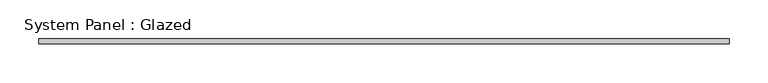
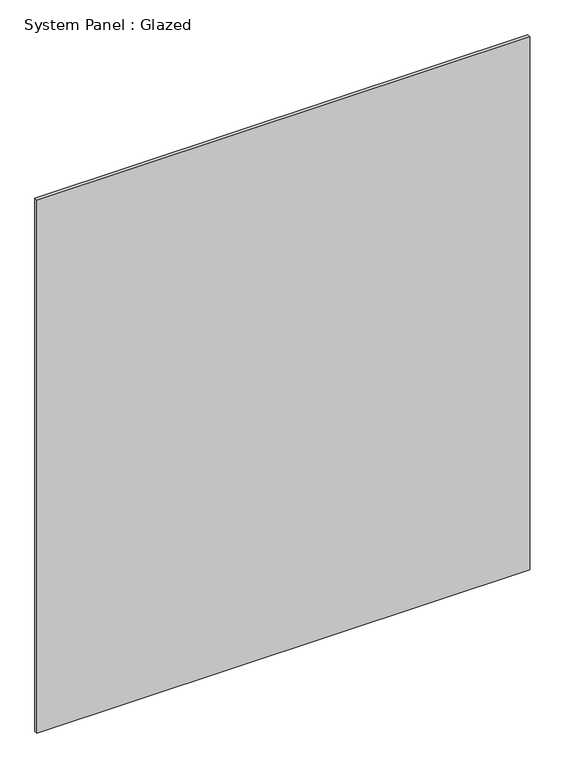
"""IFC4 building model written with IfcOpenShell, lengths in millimetres: plate geometry, System Panel : Glazed."""

from ifc_helpers import new_model, si_unit, origin, origin_with_axes, place, context, project, spatial, polyline, outline, extrude, source, transform, mapped, element, save


def system_panel_glazed_dbb90622(model_context):
    return source(origin(), model_context, "Body", "SweptSolid", [
        extrude(outline(polyline([(444.5, 28.575), (-444.5, 28.575), (-444.5, 34.925), (444.5, 34.925), (444.5, 28.575)])), origin_with_axes(), (0.0, 0.0, 1.0), 1016.0),
    ])


if __name__ == "__main__":
    model = new_model("IFC4")
    model_context = context("Model", 3, world=origin())
    ifc_project = project(units=[si_unit("LENGTHUNIT", "METRE", prefix="MILLI")], contexts=[model_context])
    site = spatial("IfcSite", under=ifc_project)
    building = spatial("IfcBuilding", under=site)
    placement = place(None, origin())
    system_panel_glazed_shape = system_panel_glazed_dbb90622(model_context)
    element("IfcPlate", 1, ObjectType="System Panel : Glazed", at=placement, inside=building, context=model_context, shape_type="MappedRepresentation", body=[
        mapped(system_panel_glazed_shape, transform((0.0, 0.0, 0.0), x_axis=(1.0, 0.0, 0.0), y_axis=(0.0, 1.0, 0.0), z_axis=(0.0, 0.0, 1.0))),
    ])
    save(model, "model.ifc")
